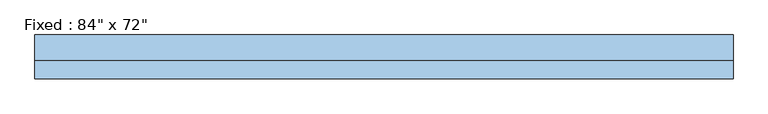
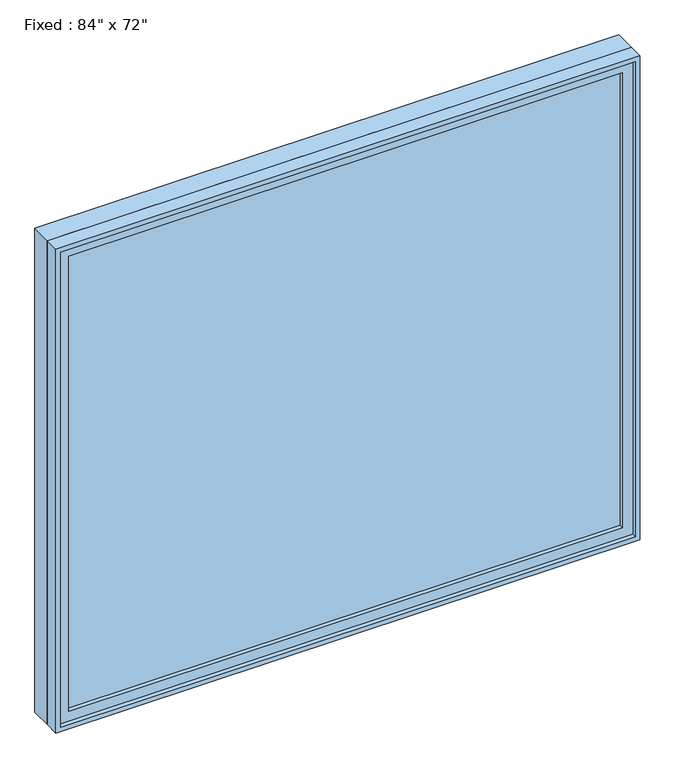
"""IFC4 building model written with IfcOpenShell, lengths in millimetres: window geometry."""

import ifcopenshell
import ifcopenshell.guid

model = None  # the IFC model being written
_history = None  # IfcOwnerHistory: only IFC2X3 demands one
_inside = {}  # id of a spatial element -> (the spatial element, [elements in it])
_under = {}  # id of a project, library or spatial element -> (it, [spatial elements below it])
_declared = {}  # id of a project -> (the project, [libraries it declares])
_typed = {}  # id of a type object -> (the type object, [elements of that type])
_made_of = {}  # id of a material, layer set ... -> (it, [elements and type objects made of it])


def new_model(schema):
    """Start an empty IFC model of exactly this schema.

    Asked for "IFC4X3", IfcOpenShell would pick the latest addendum, in which some entities
    have other attributes; the version numbers below select the first issue.
    IFC2X3 requires an IfcOwnerHistory on every rooted entity: one is made here for all.
    """
    global model, _history
    if schema == "IFC4X3":
        model = ifcopenshell.file(schema_version=(4, 3, 0, 0))
    else:
        model = ifcopenshell.file(schema=schema)
    _inside.clear()
    _under.clear()
    _declared.clear()
    _typed.clear()
    _made_of.clear()
    _history = None
    if model.schema == "IFC2X3":
        org = make("IfcOrganization", Name="unknown")
        user = make(
            "IfcPersonAndOrganization",
            ThePerson=make("IfcPerson", FamilyName="unknown"),
            TheOrganization=org,
        )
        app = make(
            "IfcApplication",
            ApplicationDeveloper=org,
            Version="unknown",
            ApplicationFullName="unknown",
            ApplicationIdentifier="unknown",
        )
        _history = make(
            "IfcOwnerHistory",
            OwningUser=user,
            OwningApplication=app,
            ChangeAction="ADDED",
            CreationDate=0,
        )
    return model


def make(cls, **values):
    """One entity of the class cls with the attributes given. An attribute that is None is left unset."""
    return model.create_entity(
        cls, **{name: value for name, value in values.items() if value is not None}
    )


def rooted(cls, **values):
    """An entity with a GlobalId (a new one), such as an element, a storey or a relation."""
    return make(cls, GlobalId=ifcopenshell.guid.new(), OwnerHistory=_history, **values)


def si_unit(unit_type, name, prefix=None):
    """IfcSIUnit, for example si_unit("LENGTHUNIT", "METRE", prefix="MILLI")."""
    return make("IfcSIUnit", UnitType=unit_type, Prefix=prefix, Name=name)


def assignment(units):
    """IfcUnitAssignment: the units of a project."""
    return None if units is None else make("IfcUnitAssignment", Units=units)


def point(xyz):
    """IfcCartesianPoint."""
    return None if xyz is None else make("IfcCartesianPoint", Coordinates=xyz)


def direction(xyz):
    """IfcDirection."""
    return None if xyz is None else make("IfcDirection", DirectionRatios=xyz)


def frame(location, z_axis=None, x_axis=None):
    """IfcAxis2Placement3D, a coordinate frame: its origin and axes. An axis left out is left unset."""
    return make(
        "IfcAxis2Placement3D",
        Location=point(location),
        Axis=direction(z_axis),
        RefDirection=direction(x_axis),
    )


def origin():
    """The frame at (0, 0, 0) with its axes left unset."""
    return frame((0.0, 0.0, 0.0))


def place(relative_to, where):
    """IfcLocalPlacement: puts the frame where relative to a parent placement (None: the world)."""
    return make(
        "IfcLocalPlacement", PlacementRelTo=relative_to, RelativePlacement=where
    )


def context(
    kind, dimensions, precision=None, world=None, true_north=None, identifier=None
):
    """IfcGeometricRepresentationContext, for example the 3D "Model" context."""
    return make(
        "IfcGeometricRepresentationContext",
        ContextIdentifier=identifier,
        ContextType=kind,
        CoordinateSpaceDimension=dimensions,
        Precision=precision,
        WorldCoordinateSystem=world,
        TrueNorth=true_north,
    )


def project(units=None, contexts=None):
    """IfcProject with its units and contexts."""
    return rooted(
        "IfcProject",
        Name="project",
        RepresentationContexts=contexts,
        UnitsInContext=assignment(units),
    )


def spatial(cls, under=None, at=None, **own):
    """A site, building, storey or space (cls), placed at a placement, below another one or the project."""
    s = rooted(cls, ObjectPlacement=at, **own)
    if under is not None:
        _under.setdefault(under.id(), (under, []))[1].append(s)
    return s


def polyline(points):
    """IfcPolyline through the points."""
    return make("IfcPolyline", Points=[point(p) for p in points])


def outline(outer, holes=None, kind="AREA"):
    """IfcArbitraryClosedProfileDef: a profile drawn as a closed curve; with holes, ...WithVoids."""
    if holes is None:
        return make("IfcArbitraryClosedProfileDef", ProfileType=kind, OuterCurve=outer)
    return make(
        "IfcArbitraryProfileDefWithVoids",
        ProfileType=kind,
        OuterCurve=outer,
        InnerCurves=holes,
    )


def extrude(swept, where, along, depth):
    """IfcExtrudedAreaSolid: the profile swept, set in the frame where, extruded along a direction by depth."""
    return make(
        "IfcExtrudedAreaSolid",
        SweptArea=swept,
        Position=where,
        ExtrudedDirection=direction(along),
        Depth=depth,
    )


def shape(context_of_items, identifier, shape_type, items):
    """IfcShapeRepresentation: the items that make up one representation, for example the "Body"."""
    return make(
        "IfcShapeRepresentation",
        ContextOfItems=context_of_items,
        RepresentationIdentifier=identifier,
        RepresentationType=shape_type,
        Items=items,
    )


def source(mapping_origin, context_of_items, identifier, shape_type, items):
    """IfcRepresentationMap: a shape defined once, which mapped items show again and again."""
    return make(
        "IfcRepresentationMap",
        MappingOrigin=mapping_origin,
        MappedRepresentation=shape(context_of_items, identifier, shape_type, items),
    )


def transform(
    local_origin,
    x_axis=None,
    y_axis=None,
    z_axis=None,
    scale=None,
    scale2=None,
    scale3=None,
    uniform=True,
):
    """IfcCartesianTransformationOperator3D, or its non-uniform kind. x_axis, y_axis, z_axis: its Axis1, 2, 3."""
    if uniform:
        return make(
            "IfcCartesianTransformationOperator3D",
            Axis1=direction(x_axis),
            Axis2=direction(y_axis),
            LocalOrigin=point(local_origin),
            Scale=scale,
            Axis3=direction(z_axis),
        )
    return make(
        "IfcCartesianTransformationOperator3DnonUniform",
        Axis1=direction(x_axis),
        Axis2=direction(y_axis),
        LocalOrigin=point(local_origin),
        Scale=scale,
        Axis3=direction(z_axis),
        Scale2=scale2,
        Scale3=scale3,
    )


def mapped(mapping_source, mapping_target):
    """IfcMappedItem: shows the shape of a source again, moved by a transform."""
    return make(
        "IfcMappedItem", MappingSource=mapping_source, MappingTarget=mapping_target
    )


def made_of(thing, what):
    """Note that an element or type object is made of a material, layer set ...; save() writes the relation."""
    if what is not None:
        _made_of.setdefault(what.id(), (what, []))[1].append(thing)
    return thing


def element(
    cls,
    number,
    at=None,
    inside=None,
    cuts=None,
    type_object=None,
    material=None,
    context=None,
    identifier="Body",
    shape_type=None,
    held_by="IfcProductDefinitionShape",
    body=None,
    shapes=None,
    **own,
):
    """One element of the class cls, such as IfcWall. Its Tag is "e" and its number.

    at: its placement. inside: the storey or other place that contains it. cuts: it is an
    opening in that element (IfcRelVoidsElement). A single representation is given by context,
    identifier, shape_type and body (its items); several are given by shapes. held_by: the class
    of the entity that holds the representations. save() writes the other relations.
    """
    e = rooted(cls, Tag="e%d" % number, ObjectPlacement=at, **own)
    if body is not None:
        shapes = [shape(context, identifier, shape_type, body)]
    if shapes is not None:
        e.Representation = make(held_by, Representations=shapes)
    if inside is not None:
        _inside.setdefault(inside.id(), (inside, []))[1].append(e)
    if cuts is not None:
        rooted(
            "IfcRelVoidsElement", RelatingBuildingElement=cuts, RelatedOpeningElement=e
        )
    if type_object is not None:
        _typed.setdefault(type_object.id(), (type_object, []))[1].append(e)
    return made_of(e, material)


def aggregate(whole, parts):
    """IfcRelAggregates: a whole, such as a stair, and the parts it consists of."""
    return rooted("IfcRelAggregates", RelatingObject=whole, RelatedObjects=parts)


def save(model, path):
    """Write the relations noted so far, then the file.

    IfcRelAggregates (storeys below a building ...), IfcRelContainedInSpatialStructure (elements
    in a storey), IfcRelDefinesByType, IfcRelAssociatesMaterial and IfcRelDeclares: one each for
    every whole, place, type object, material and project.
    """
    for whole, parts in _under.values():
        aggregate(whole, parts)
    for where, things in _inside.values():
        rooted(
            "IfcRelContainedInSpatialStructure",
            RelatedElements=things,
            RelatingStructure=where,
        )
    for kind, things in _typed.values():
        rooted("IfcRelDefinesByType", RelatedObjects=things, RelatingType=kind)
    for what, things in _made_of.values():
        rooted("IfcRelAssociatesMaterial", RelatedObjects=things, RelatingMaterial=what)
    for by, libraries in _declared.values():
        rooted("IfcRelDeclares", RelatingContext=by, RelatedDefinitions=libraries)
    model.write(path)


def window_ee5b09cc(model_context):
    return source(origin(), model_context, "Body", "SweptSolid", [
        extrude(outline(polyline([(1117.6, -28.575), (1117.6, -41.275), (-1193.8, -41.275), (-1193.8, -28.575), (1117.6, -28.575)])), frame((0.0, 0.0, 368.3), z_axis=(0.0, 0.0, 1.0), x_axis=(1.0, 0.0, 0.0)), (0.0, 0.0, 1.0), 2006.6),
        extrude(outline(polyline([(2419.35, -1238.25), (323.85, -1238.25), (323.85, 1162.05), (2419.35, 1162.05), (2419.35, -1238.25)]), holes=[polyline([(2374.9, -1193.8), (2374.9, 1117.6), (368.3, 1117.6), (368.3, -1193.8), (2374.9, -1193.8)])]), frame((0.0, -57.15, 0.0), z_axis=(0.0, 1.0, 0.0), x_axis=(0.0, 0.0, 1.0)), (0.0, 0.0, 1.0), 44.45),
        extrude(outline(polyline([(2438.4, -1257.3), (304.8, -1257.3), (304.8, 1181.1), (2438.4, 1181.1), (2438.4, -1257.3)]), holes=[polyline([(2406.65, -1225.55), (2406.65, 1149.35), (336.55, 1149.35), (336.55, -1225.55), (2406.65, -1225.55)])]), frame((0.0, -12.7, 0.0), z_axis=(0.0, 1.0, 0.0), x_axis=(0.0, 0.0, 1.0)), (0.0, 0.0, 1.0), 88.9),
        extrude(outline(polyline([(2438.4, 1181.1), (2438.4, -1257.3), (304.8, -1257.3), (304.8, 1181.1), (2438.4, 1181.1)]), holes=[polyline([(2419.35, 1162.05), (323.85, 1162.05), (323.85, -1238.25), (2419.35, -1238.25), (2419.35, 1162.05)])]), frame((0.0, -76.2, 0.0), z_axis=(0.0, 1.0, 0.0), x_axis=(0.0, 0.0, 1.0)), (0.0, 0.0, 1.0), 63.5),
    ])


if __name__ == "__main__":
    model = new_model("IFC4")
    model_context = context("Model", 3, world=origin())
    ifc_project = project(units=[si_unit("LENGTHUNIT", "METRE", prefix="MILLI")], contexts=[model_context])
    site = spatial("IfcSite", under=ifc_project)
    building = spatial("IfcBuilding", under=site)
    placement = place(None, origin())
    window_shape = window_ee5b09cc(model_context)
    element("IfcWindow", 1, ObjectType="Fixed : 84\" x 72\"", at=placement, inside=building, context=model_context, shape_type="MappedRepresentation", body=[
        mapped(window_shape, transform((0.0, 0.0, 0.0), x_axis=(1.0, 0.0, 0.0), y_axis=(0.0, 1.0, 0.0), z_axis=(0.0, 0.0, 1.0))),
    ])
    save(model, "model.ifc")
